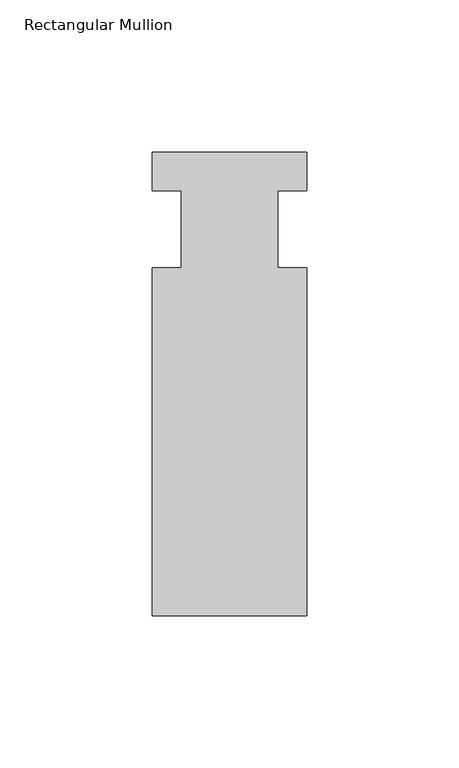
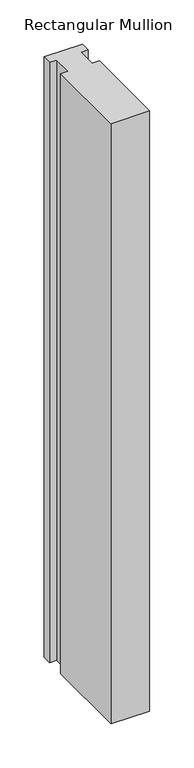
"""IFC4 building model written with IfcOpenShell, lengths in millimetres: member geometry, Rectangular Mullion."""

from ifc_helpers import new_model, si_unit, frame, origin, place, context, project, spatial, polyline, outline, extrude, source, transform, mapped, element, save


def rectangular_mullion_8454284e(model_context):
    return source(origin(), model_context, "Body", "SweptSolid", [
        extrude(outline(polyline([(25.4, -139.7), (-25.4, -139.7), (-25.4, -25.4), (-15.875, -25.4), (-15.875, 0.0), (-25.4, 0.0), (-25.4, 12.7), (25.4, 12.7), (25.4, 0.0), (15.875, 0.0), (15.875, -25.4), (25.4, -25.4), (25.4, -139.7)])), frame((0.0, 0.0, -831.85), z_axis=(0.0, 0.0, 1.0), x_axis=(1.0, 0.0, 0.0)), (0.0, 0.0, 1.0), 831.85),
    ])


if __name__ == "__main__":
    model = new_model("IFC4")
    model_context = context("Model", 3, world=origin())
    ifc_project = project(units=[si_unit("LENGTHUNIT", "METRE", prefix="MILLI")], contexts=[model_context])
    site = spatial("IfcSite", under=ifc_project)
    building = spatial("IfcBuilding", under=site)
    placement = place(None, origin())
    rectangular_mullion_shape = rectangular_mullion_8454284e(model_context)
    element("IfcMember", 1, ObjectType="Rectangular Mullion", at=placement, inside=building, context=model_context, shape_type="MappedRepresentation", body=[
        mapped(rectangular_mullion_shape, transform((0.0, 0.0, 0.0), x_axis=(1.0, 0.0, 0.0), y_axis=(0.0, 1.0, 0.0), z_axis=(0.0, 0.0, 1.0))),
    ])
    save(model, "model.ifc")
